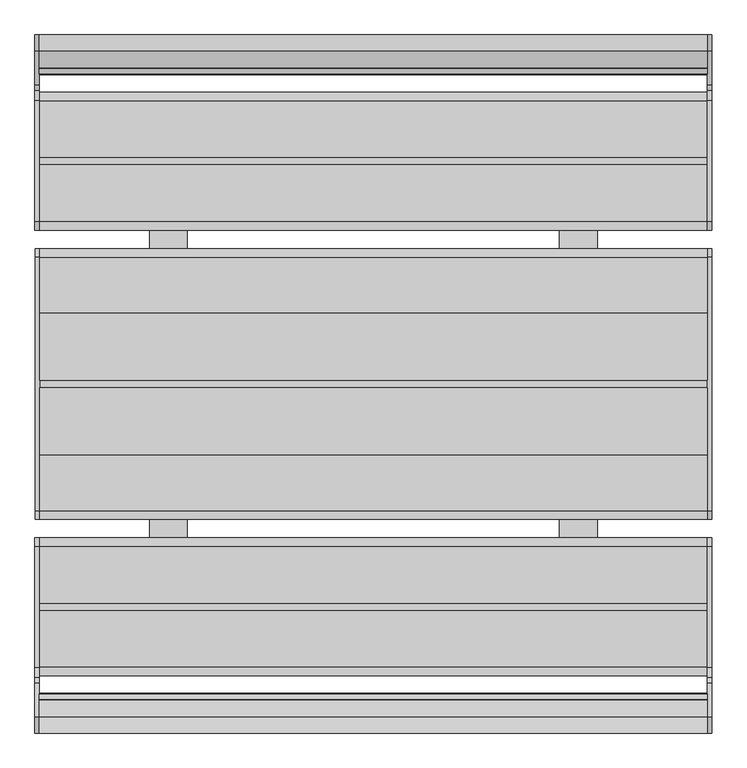
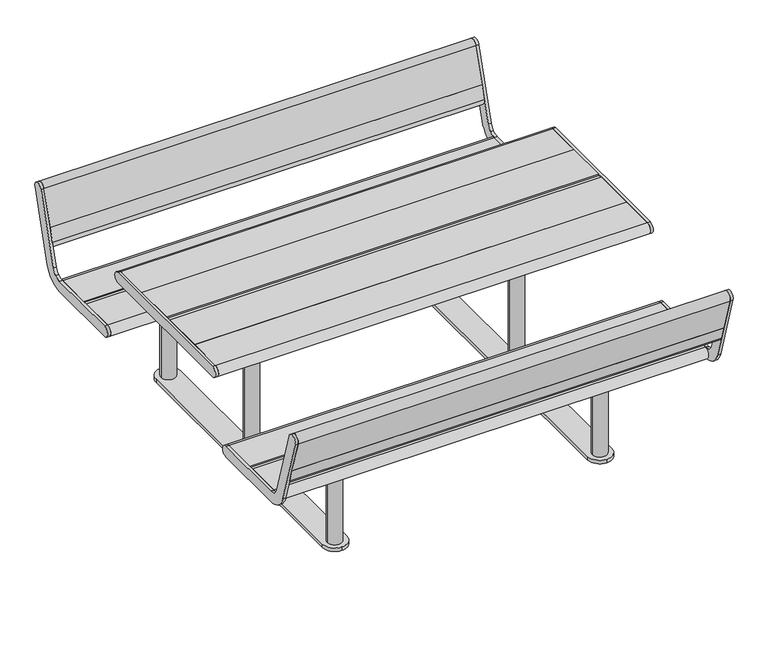
"""IFC4 building model written with IfcOpenShell, lengths in millimetres: furniture geometry."""

from ifc_helpers import new_model, si_unit, point, frame, frame_2d, origin, origin_with_axes, place, context, project, spatial, polyline, circle_curve, trimmed, segment, composite_curve, outline, extrude, source, transform, mapped, element, save


def furniture_57863eca(model_context):
    return source(origin(), model_context, "Body", "SweptSolid", [
        extrude(outline(composite_curve([segment(polyline([(839.5902234, 625.8089116), (882.6239374, 612.6521847), (866.1066825, 558.626679)]), True, "CONTINUOUS"), segment(trimmed(circle_curve(frame_2d((844.5898255, 565.2050425)), 22.5), [point((866.1066825, 558.626679))], [point((823.0729685, 571.7834059))], False, "CARTESIAN"), True, "CONTINUOUS"), segment(polyline([(823.0729685, 571.7834059), (839.5902234, 625.8089116)]), True, "CONTINUOUS")], self_intersect=False)), frame((-888.0, 0.0, 0.0), z_axis=(1.0, 0.0, 0.0), x_axis=(0.0, 1.0, 0.0)), (0.0, 0.0, 1.0), 1776.0),
        extrude(outline(composite_curve([segment(polyline([(882.6239374, 612.6521847), (839.5902234, 625.8089116), (883.5974263, 769.7499847)]), True, "CONTINUOUS"), segment(trimmed(circle_curve(frame_2d((905.1142833, 763.1716212)), 22.5), [point((883.5974263, 769.7499847))], [point((926.6311403, 756.5932578))], False, "CARTESIAN"), True, "CONTINUOUS"), segment(polyline([(926.6311403, 756.5932578), (882.6239374, 612.6521847)]), True, "CONTINUOUS")], self_intersect=False)), frame((-888.0, 0.0, 0.0), z_axis=(1.0, 0.0, 0.0), x_axis=(0.0, 1.0, 0.0)), (0.0, 0.0, 1.0), 1776.0),
        extrude(outline(composite_curve([segment(polyline([(-839.5902234, 625.8089116), (-823.0729685, 571.7834059)]), True, "CONTINUOUS"), segment(trimmed(circle_curve(frame_2d((-844.5898255, 565.2050425)), 22.5), [point((-823.0729685, 571.7834059))], [point((-866.1066825, 558.626679))], False, "CARTESIAN"), True, "CONTINUOUS"), segment(polyline([(-866.1066825, 558.626679), (-882.6239374, 612.6521847), (-839.5902234, 625.8089116)]), True, "CONTINUOUS")], self_intersect=False)), frame((-888.0, 0.0, 0.0), z_axis=(1.0, 0.0, 0.0), x_axis=(0.0, 1.0, 0.0)), (0.0, 0.0, 1.0), 1776.0),
        extrude(outline(composite_curve([segment(polyline([(-882.6239374, 612.6521847), (-926.6311403, 756.5932578)]), True, "CONTINUOUS"), segment(trimmed(circle_curve(frame_2d((-905.1142833, 763.1716212)), 22.5), [point((-926.6311403, 756.5932578))], [point((-883.5974263, 769.7499847))], False, "CARTESIAN"), True, "CONTINUOUS"), segment(polyline([(-883.5974263, 769.7499847), (-839.5902234, 625.8089116), (-882.6239374, 612.6521847)]), True, "CONTINUOUS")], self_intersect=False)), frame((-888.0, 0.0, 0.0), z_axis=(1.0, 0.0, 0.0), x_axis=(0.0, 1.0, 0.0)), (0.0, 0.0, 1.0), 1776.0),
        extrude(outline(composite_curve([segment(polyline([(795.4837914, 481.5432734), (883.593709, 769.7378243)]), True, "CONTINUOUS"), segment(trimmed(circle_curve(frame_2d((905.1105656, 763.159461)), 22.4999996), [point((883.593709, 769.7378243))], [point((926.6274222, 756.5810977))], False, "CARTESIAN"), True, "CONTINUOUS"), segment(polyline([(926.6274222, 756.5810977), (838.5175055, 468.3865468)]), True, "CONTINUOUS"), segment(trimmed(circle_curve(frame_2d((752.4500772, 494.7000004)), 90.0000004), [point((838.5175055, 468.3865468))], [point((805.5692669, 422.0477344))], False, "CARTESIAN"), True, "CONTINUOUS"), segment(trimmed(circle_curve(frame_2d((752.4500772, 494.7000004)), 90.0000004), [point((805.5692669, 422.0477344))], [point((752.4500772, 404.7))], False, "CARTESIAN"), True, "CONTINUOUS"), segment(polyline([(752.4500772, 404.7), (431.5000002, 404.7)]), True, "CONTINUOUS"), segment(trimmed(circle_curve(frame_2d((431.5000002, 427.2000002)), 22.5000002), [point((431.5000002, 404.7))], [point((431.5037545, 449.7000001))], False, "CARTESIAN"), True, "CONTINUOUS"), segment(polyline([(431.5037545, 449.7000001), (752.4500772, 449.7000001)]), True, "CONTINUOUS"), segment(trimmed(circle_curve(frame_2d((752.4500772, 494.7000004)), 45.0000003), [point((752.4500772, 449.7000001))], [point((779.0096721, 458.3738673))], True, "CARTESIAN"), True, "CONTINUOUS"), segment(trimmed(circle_curve(frame_2d((752.4500772, 494.7000004)), 45.0000003), [point((779.0096721, 458.3738673))], [point((795.4837914, 481.5432734))], True, "CARTESIAN"), True, "CONTINUOUS")], self_intersect=False)), frame((-900.0, 0.0, 0.0), z_axis=(1.0, 0.0, 0.0), x_axis=(0.0, 1.0, 0.0)), (0.0, 0.0, 1.0), 12.0),
        extrude(outline(composite_curve([segment(polyline([(795.4837914, 481.5432734), (883.593709, 769.7378243)]), True, "CONTINUOUS"), segment(trimmed(circle_curve(frame_2d((905.1105656, 763.159461)), 22.4999996), [point((883.593709, 769.7378243))], [point((926.6274222, 756.5810977))], False, "CARTESIAN"), True, "CONTINUOUS"), segment(polyline([(926.6274222, 756.5810977), (838.5175055, 468.3865468)]), True, "CONTINUOUS"), segment(trimmed(circle_curve(frame_2d((752.4500772, 494.7000004)), 90.0000004), [point((838.5175055, 468.3865468))], [point((805.5692669, 422.0477344))], False, "CARTESIAN"), True, "CONTINUOUS"), segment(trimmed(circle_curve(frame_2d((752.4500772, 494.7000004)), 90.0000004), [point((805.5692669, 422.0477344))], [point((752.4500772, 404.7))], False, "CARTESIAN"), True, "CONTINUOUS"), segment(polyline([(752.4500772, 404.7), (431.5000002, 404.7)]), True, "CONTINUOUS"), segment(trimmed(circle_curve(frame_2d((431.5000002, 427.2000002)), 22.5000002), [point((431.5000002, 404.7))], [point((431.5037545, 449.7000001))], False, "CARTESIAN"), True, "CONTINUOUS"), segment(polyline([(431.5037545, 449.7000001), (752.4500772, 449.7000001)]), True, "CONTINUOUS"), segment(trimmed(circle_curve(frame_2d((752.4500772, 494.7000004)), 45.0000003), [point((752.4500772, 449.7000001))], [point((779.0096721, 458.3738673))], True, "CARTESIAN"), True, "CONTINUOUS"), segment(trimmed(circle_curve(frame_2d((752.4500772, 494.7000004)), 45.0000003), [point((779.0096721, 458.3738673))], [point((795.4837914, 481.5432734))], True, "CARTESIAN"), True, "CONTINUOUS")], self_intersect=False)), frame((888.0, 0.0, 0.0), z_axis=(1.0, 0.0, 0.0), x_axis=(0.0, 1.0, 0.0)), (0.0, 0.0, 1.0), 12.0),
        extrude(outline(composite_curve([segment(trimmed(circle_curve(frame_2d((-752.4500772, 494.7000004)), 45.0000003), [point((-795.4837914, 481.5432734))], [point((-779.0096721, 458.3738673))], True, "CARTESIAN"), True, "CONTINUOUS"), segment(trimmed(circle_curve(frame_2d((-752.4500772, 494.7000004)), 45.0000003), [point((-779.0096721, 458.3738673))], [point((-752.4500772, 449.7000001))], True, "CARTESIAN"), True, "CONTINUOUS"), segment(polyline([(-752.4500772, 449.7000001), (-431.5037545, 449.7000001)]), True, "CONTINUOUS"), segment(trimmed(circle_curve(frame_2d((-431.5000002, 427.2000002)), 22.5000002), [point((-431.5037545, 449.7000001))], [point((-431.5000002, 404.7))], False, "CARTESIAN"), True, "CONTINUOUS"), segment(polyline([(-431.5000002, 404.7), (-752.4500772, 404.7)]), True, "CONTINUOUS"), segment(trimmed(circle_curve(frame_2d((-752.4500772, 494.7000004)), 90.0000004), [point((-752.4500772, 404.7))], [point((-805.5692669, 422.0477344))], False, "CARTESIAN"), True, "CONTINUOUS"), segment(trimmed(circle_curve(frame_2d((-752.4500772, 494.7000004)), 90.0000004), [point((-805.5692669, 422.0477344))], [point((-838.5175055, 468.3865468))], False, "CARTESIAN"), True, "CONTINUOUS"), segment(polyline([(-838.5175055, 468.3865468), (-926.6274222, 756.5810977)]), True, "CONTINUOUS"), segment(trimmed(circle_curve(frame_2d((-905.1105656, 763.159461)), 22.4999996), [point((-926.6274222, 756.5810977))], [point((-883.593709, 769.7378243))], False, "CARTESIAN"), True, "CONTINUOUS"), segment(polyline([(-883.593709, 769.7378243), (-795.4837914, 481.5432734)]), True, "CONTINUOUS")], self_intersect=False)), frame((-900.0, 0.0, 0.0), z_axis=(1.0, 0.0, 0.0), x_axis=(0.0, 1.0, 0.0)), (0.0, 0.0, 1.0), 12.0),
        extrude(outline(composite_curve([segment(trimmed(circle_curve(frame_2d((-752.4500772, 494.7000004)), 45.0000003), [point((-795.4837914, 481.5432734))], [point((-779.0096721, 458.3738673))], True, "CARTESIAN"), True, "CONTINUOUS"), segment(trimmed(circle_curve(frame_2d((-752.4500772, 494.7000004)), 45.0000003), [point((-779.0096721, 458.3738673))], [point((-752.4500772, 449.7000001))], True, "CARTESIAN"), True, "CONTINUOUS"), segment(polyline([(-752.4500772, 449.7000001), (-431.5037545, 449.7000001)]), True, "CONTINUOUS"), segment(trimmed(circle_curve(frame_2d((-431.5000002, 427.2000002)), 22.5000002), [point((-431.5037545, 449.7000001))], [point((-431.5000002, 404.7))], False, "CARTESIAN"), True, "CONTINUOUS"), segment(polyline([(-431.5000002, 404.7), (-752.4500772, 404.7)]), True, "CONTINUOUS"), segment(trimmed(circle_curve(frame_2d((-752.4500772, 494.7000004)), 90.0000004), [point((-752.4500772, 404.7))], [point((-805.5692669, 422.0477344))], False, "CARTESIAN"), True, "CONTINUOUS"), segment(trimmed(circle_curve(frame_2d((-752.4500772, 494.7000004)), 90.0000004), [point((-805.5692669, 422.0477344))], [point((-838.5175055, 468.3865468))], False, "CARTESIAN"), True, "CONTINUOUS"), segment(polyline([(-838.5175055, 468.3865468), (-926.6274222, 756.5810977)]), True, "CONTINUOUS"), segment(trimmed(circle_curve(frame_2d((-905.1105656, 763.159461)), 22.4999996), [point((-926.6274222, 756.5810977))], [point((-883.593709, 769.7378243))], False, "CARTESIAN"), True, "CONTINUOUS"), segment(polyline([(-883.593709, 769.7378243), (-795.4837914, 481.5432734)]), True, "CONTINUOUS")], self_intersect=False)), frame((888.0, 0.0, 0.0), z_axis=(1.0, 0.0, 0.0), x_axis=(0.0, 1.0, 0.0)), (0.0, 0.0, 1.0), 12.0),
        extrude(outline(composite_curve([segment(trimmed(circle_curve(frame_2d((590.0, 120.0)), 5.0), [point((590.0, 125.0))], [point((595.0, 120.0))], False, "CARTESIAN"), True, "CONTINUOUS"), segment(polyline([(595.0, 120.0), (595.0, -120.0)]), True, "CONTINUOUS"), segment(trimmed(circle_curve(frame_2d((590.0, -120.0)), 5.0), [point((595.0, -120.0))], [point((590.0, -125.0))], False, "CARTESIAN"), True, "CONTINUOUS"), segment(polyline([(590.0, -125.0), (500.0, -125.0)]), True, "CONTINUOUS"), segment(trimmed(circle_curve(frame_2d((500.0, -120.0)), 5.0), [point((500.0, -125.0))], [point((495.0, -120.0))], False, "CARTESIAN"), True, "CONTINUOUS"), segment(polyline([(495.0, -120.0), (495.0, 120.0)]), True, "CONTINUOUS"), segment(trimmed(circle_curve(frame_2d((500.0, 120.0)), 5.0), [point((495.0, 120.0))], [point((500.0, 125.0))], False, "CARTESIAN"), True, "CONTINUOUS"), segment(polyline([(500.0, 125.0), (590.0, 125.0)]), True, "CONTINUOUS")], self_intersect=False)), frame((0.0, 0.0, 679.0), z_axis=(0.0, 0.0, 1.0), x_axis=(1.0, 0.0, 0.0)), (0.0, 0.0, 1.0), 7.85),
        extrude(outline(composite_curve([segment(trimmed(circle_curve(frame_2d((590.0, 295.0)), 5.0), [point((590.0, 300.0))], [point((595.0, 295.0))], False, "CARTESIAN"), True, "CONTINUOUS"), segment(polyline([(595.0, 295.0), (595.0, -295.0)]), True, "CONTINUOUS"), segment(trimmed(circle_curve(frame_2d((590.0, -295.0)), 5.0), [point((595.0, -295.0))], [point((590.0, -300.0))], False, "CARTESIAN"), True, "CONTINUOUS"), segment(polyline([(590.0, -300.0), (500.0, -300.0)]), True, "CONTINUOUS"), segment(trimmed(circle_curve(frame_2d((500.0, -295.0)), 5.0), [point((500.0, -300.0))], [point((495.0, -295.0))], False, "CARTESIAN"), True, "CONTINUOUS"), segment(polyline([(495.0, -295.0), (495.0, 295.0)]), True, "CONTINUOUS"), segment(trimmed(circle_curve(frame_2d((500.0, 295.0)), 5.0), [point((495.0, 295.0))], [point((500.0, 300.0))], False, "CARTESIAN"), True, "CONTINUOUS"), segment(polyline([(500.0, 300.0), (590.0, 300.0)]), True, "CONTINUOUS")], self_intersect=False)), frame((0.0, 0.0, 686.85), z_axis=(0.0, 0.0, 1.0), x_axis=(1.0, 0.0, 0.0)), (0.0, 0.0, 1.0), 7.85),
        extrude(outline(composite_curve([segment(polyline([(590.0, -717.0), (500.0, -717.0)]), True, "CONTINUOUS"), segment(trimmed(circle_curve(frame_2d((500.0, -712.0)), 5.0), [point((500.0, -717.0))], [point((495.0, -712.0))], False, "CARTESIAN"), True, "CONTINUOUS"), segment(polyline([(495.0, -712.0), (495.0, -472.0)]), True, "CONTINUOUS"), segment(trimmed(circle_curve(frame_2d((500.0, -472.0)), 5.0), [point((495.0, -472.0))], [point((500.0, -467.0))], False, "CARTESIAN"), True, "CONTINUOUS"), segment(polyline([(500.0, -467.0), (590.0, -467.0)]), True, "CONTINUOUS"), segment(trimmed(circle_curve(frame_2d((590.0, -472.0)), 5.0), [point((590.0, -467.0))], [point((595.0, -472.0))], False, "CARTESIAN"), True, "CONTINUOUS"), segment(polyline([(595.0, -472.0), (595.0, -712.0)]), True, "CONTINUOUS"), segment(trimmed(circle_curve(frame_2d((590.0, -712.0)), 5.0), [point((595.0, -712.0))], [point((590.0, -717.0))], False, "CARTESIAN"), True, "CONTINUOUS")], self_intersect=False)), frame((0.0, 0.0, 389.0), z_axis=(0.0, 0.0, 1.0), x_axis=(1.0, 0.0, 0.0)), (0.0, 0.0, 1.0), 15.7),
        extrude(outline(composite_curve([segment(trimmed(circle_curve(frame_2d((590.0, 712.0)), 5.0), [point((590.0, 717.0))], [point((595.0, 712.0))], False, "CARTESIAN"), True, "CONTINUOUS"), segment(polyline([(595.0, 712.0), (595.0, 472.0)]), True, "CONTINUOUS"), segment(trimmed(circle_curve(frame_2d((590.0, 472.0)), 5.0), [point((595.0, 472.0))], [point((590.0, 467.0))], False, "CARTESIAN"), True, "CONTINUOUS"), segment(polyline([(590.0, 467.0), (500.0, 467.0)]), True, "CONTINUOUS"), segment(trimmed(circle_curve(frame_2d((500.0, 472.0)), 5.0), [point((500.0, 467.0))], [point((495.0, 472.0))], False, "CARTESIAN"), True, "CONTINUOUS"), segment(polyline([(495.0, 472.0), (495.0, 712.0)]), True, "CONTINUOUS"), segment(trimmed(circle_curve(frame_2d((500.0, 712.0)), 5.0), [point((495.0, 712.0))], [point((500.0, 717.0))], False, "CARTESIAN"), True, "CONTINUOUS"), segment(polyline([(500.0, 717.0), (590.0, 717.0)]), True, "CONTINUOUS")], self_intersect=False)), frame((0.0, 0.0, 389.0), z_axis=(0.0, 0.0, 1.0), x_axis=(1.0, 0.0, 0.0)), (0.0, 0.0, 1.0), 15.7),
        extrude(outline(composite_curve([segment(trimmed(circle_curve(frame_2d((545.0, 0.0)), 30.0), [point((575.0, 0.0))], [point((515.0, 0.0))], False, "CARTESIAN"), True, "CONTINUOUS"), segment(trimmed(circle_curve(frame_2d((545.0, 0.0)), 30.0), [point((515.0, 0.0))], [point((575.0, 0.0))], False, "CARTESIAN"), True, "CONTINUOUS")], self_intersect=False)), frame((0.0, 0.0, 15.0), z_axis=(0.0, 0.0, 1.0), x_axis=(1.0, 0.0, 0.0)), (0.0, 0.0, 1.0), 664.0),
        extrude(outline(composite_curve([segment(trimmed(circle_curve(frame_2d((545.0, -592.0)), 30.0), [point((575.0, -592.0))], [point((515.0, -592.0))], False, "CARTESIAN"), True, "CONTINUOUS"), segment(trimmed(circle_curve(frame_2d((545.0, -592.0)), 30.0), [point((515.0, -592.0))], [point((575.0, -592.0))], False, "CARTESIAN"), True, "CONTINUOUS")], self_intersect=False)), frame((0.0, 0.0, 15.0), z_axis=(0.0, 0.0, 1.0), x_axis=(1.0, 0.0, 0.0)), (0.0, 0.0, 1.0), 374.0),
        extrude(outline(composite_curve([segment(trimmed(circle_curve(frame_2d((545.0, 592.0)), 30.0), [point((575.0, 592.0))], [point((515.0, 592.0))], False, "CARTESIAN"), True, "CONTINUOUS"), segment(trimmed(circle_curve(frame_2d((545.0, 592.0)), 30.0), [point((515.0, 592.0))], [point((575.0, 592.0))], False, "CARTESIAN"), True, "CONTINUOUS")], self_intersect=False)), frame((0.0, 0.0, 15.0), z_axis=(0.0, 0.0, 1.0), x_axis=(1.0, 0.0, 0.0)), (0.0, 0.0, 1.0), 374.0),
        extrude(outline(composite_curve([segment(polyline([(-590.0, 125.0), (-500.0, 125.0)]), True, "CONTINUOUS"), segment(trimmed(circle_curve(frame_2d((-500.0, 120.0)), 5.0), [point((-500.0, 125.0))], [point((-495.0, 120.0))], False, "CARTESIAN"), True, "CONTINUOUS"), segment(polyline([(-495.0, 120.0), (-495.0, -120.0)]), True, "CONTINUOUS"), segment(trimmed(circle_curve(frame_2d((-500.0, -120.0)), 5.0), [point((-495.0, -120.0))], [point((-500.0, -125.0))], False, "CARTESIAN"), True, "CONTINUOUS"), segment(polyline([(-500.0, -125.0), (-590.0, -125.0)]), True, "CONTINUOUS"), segment(trimmed(circle_curve(frame_2d((-590.0, -120.0)), 5.0), [point((-590.0, -125.0))], [point((-595.0, -120.0))], False, "CARTESIAN"), True, "CONTINUOUS"), segment(polyline([(-595.0, -120.0), (-595.0, 120.0)]), True, "CONTINUOUS"), segment(trimmed(circle_curve(frame_2d((-590.0, 120.0)), 5.0), [point((-595.0, 120.0))], [point((-590.0, 125.0))], False, "CARTESIAN"), True, "CONTINUOUS")], self_intersect=False)), frame((0.0, 0.0, 679.0), z_axis=(0.0, 0.0, 1.0), x_axis=(1.0, 0.0, 0.0)), (0.0, 0.0, 1.0), 7.85),
        extrude(outline(composite_curve([segment(polyline([(-590.0, 300.0), (-500.0, 300.0)]), True, "CONTINUOUS"), segment(trimmed(circle_curve(frame_2d((-500.0, 295.0)), 5.0), [point((-500.0, 300.0))], [point((-495.0, 295.0))], False, "CARTESIAN"), True, "CONTINUOUS"), segment(polyline([(-495.0, 295.0), (-495.0, -295.0)]), True, "CONTINUOUS"), segment(trimmed(circle_curve(frame_2d((-500.0, -295.0)), 5.0), [point((-495.0, -295.0))], [point((-500.0, -300.0))], False, "CARTESIAN"), True, "CONTINUOUS"), segment(polyline([(-500.0, -300.0), (-590.0, -300.0)]), True, "CONTINUOUS"), segment(trimmed(circle_curve(frame_2d((-590.0, -295.0)), 5.0), [point((-590.0, -300.0))], [point((-595.0, -295.0))], False, "CARTESIAN"), True, "CONTINUOUS"), segment(polyline([(-595.0, -295.0), (-595.0, 295.0)]), True, "CONTINUOUS"), segment(trimmed(circle_curve(frame_2d((-590.0, 295.0)), 5.0), [point((-595.0, 295.0))], [point((-590.0, 300.0))], False, "CARTESIAN"), True, "CONTINUOUS")], self_intersect=False)), frame((0.0, 0.0, 686.85), z_axis=(0.0, 0.0, 1.0), x_axis=(1.0, 0.0, 0.0)), (0.0, 0.0, 1.0), 7.85),
        extrude(outline(composite_curve([segment(trimmed(circle_curve(frame_2d((-590.0, -712.0)), 5.0), [point((-590.0, -717.0))], [point((-595.0, -712.0))], False, "CARTESIAN"), True, "CONTINUOUS"), segment(polyline([(-595.0, -712.0), (-595.0, -472.0)]), True, "CONTINUOUS"), segment(trimmed(circle_curve(frame_2d((-590.0, -472.0)), 5.0), [point((-595.0, -472.0))], [point((-590.0, -467.0))], False, "CARTESIAN"), True, "CONTINUOUS"), segment(polyline([(-590.0, -467.0), (-500.0, -467.0)]), True, "CONTINUOUS"), segment(trimmed(circle_curve(frame_2d((-500.0, -472.0)), 5.0), [point((-500.0, -467.0))], [point((-495.0, -472.0))], False, "CARTESIAN"), True, "CONTINUOUS"), segment(polyline([(-495.0, -472.0), (-495.0, -712.0)]), True, "CONTINUOUS"), segment(trimmed(circle_curve(frame_2d((-500.0, -712.0)), 5.0), [point((-495.0, -712.0))], [point((-500.0, -717.0))], False, "CARTESIAN"), True, "CONTINUOUS"), segment(polyline([(-500.0, -717.0), (-590.0, -717.0)]), True, "CONTINUOUS")], self_intersect=False)), frame((0.0, 0.0, 389.0), z_axis=(0.0, 0.0, 1.0), x_axis=(1.0, 0.0, 0.0)), (0.0, 0.0, 1.0), 15.7),
        extrude(outline(composite_curve([segment(polyline([(-590.0, 717.0), (-500.0, 717.0)]), True, "CONTINUOUS"), segment(trimmed(circle_curve(frame_2d((-500.0, 712.0)), 5.0), [point((-500.0, 717.0))], [point((-495.0, 712.0))], False, "CARTESIAN"), True, "CONTINUOUS"), segment(polyline([(-495.0, 712.0), (-495.0, 472.0)]), True, "CONTINUOUS"), segment(trimmed(circle_curve(frame_2d((-500.0, 472.0)), 5.0), [point((-495.0, 472.0))], [point((-500.0, 467.0))], False, "CARTESIAN"), True, "CONTINUOUS"), segment(polyline([(-500.0, 467.0), (-590.0, 467.0)]), True, "CONTINUOUS"), segment(trimmed(circle_curve(frame_2d((-590.0, 472.0)), 5.0), [point((-590.0, 467.0))], [point((-595.0, 472.0))], False, "CARTESIAN"), True, "CONTINUOUS"), segment(polyline([(-595.0, 472.0), (-595.0, 712.0)]), True, "CONTINUOUS"), segment(trimmed(circle_curve(frame_2d((-590.0, 712.0)), 5.0), [point((-595.0, 712.0))], [point((-590.0, 717.0))], False, "CARTESIAN"), True, "CONTINUOUS")], self_intersect=False)), frame((0.0, 0.0, 389.0), z_axis=(0.0, 0.0, 1.0), x_axis=(1.0, 0.0, 0.0)), (0.0, 0.0, 1.0), 15.7),
        extrude(outline(composite_curve([segment(trimmed(circle_curve(frame_2d((-545.0, 0.0)), 30.0), [point((-575.0, 0.0))], [point((-515.0, 0.0))], False, "CARTESIAN"), True, "CONTINUOUS"), segment(trimmed(circle_curve(frame_2d((-545.0, 0.0)), 30.0), [point((-515.0, 0.0))], [point((-575.0, 0.0))], False, "CARTESIAN"), True, "CONTINUOUS")], self_intersect=False)), frame((0.0, 0.0, 15.0), z_axis=(0.0, 0.0, 1.0), x_axis=(1.0, 0.0, 0.0)), (0.0, 0.0, 1.0), 664.0),
        extrude(outline(composite_curve([segment(trimmed(circle_curve(frame_2d((-545.0, -592.0)), 30.0), [point((-575.0, -592.0))], [point((-515.0, -592.0))], False, "CARTESIAN"), True, "CONTINUOUS"), segment(trimmed(circle_curve(frame_2d((-545.0, -592.0)), 30.0), [point((-515.0, -592.0))], [point((-575.0, -592.0))], False, "CARTESIAN"), True, "CONTINUOUS")], self_intersect=False)), frame((0.0, 0.0, 15.0), z_axis=(0.0, 0.0, 1.0), x_axis=(1.0, 0.0, 0.0)), (0.0, 0.0, 1.0), 374.0),
        extrude(outline(composite_curve([segment(trimmed(circle_curve(frame_2d((-545.0, 592.0)), 30.0), [point((-575.0, 592.0))], [point((-515.0, 592.0))], False, "CARTESIAN"), True, "CONTINUOUS"), segment(trimmed(circle_curve(frame_2d((-545.0, 592.0)), 30.0), [point((-515.0, 592.0))], [point((-575.0, 592.0))], False, "CARTESIAN"), True, "CONTINUOUS")], self_intersect=False)), frame((0.0, 0.0, 15.0), z_axis=(0.0, 0.0, 1.0), x_axis=(1.0, 0.0, 0.0)), (0.0, 0.0, 1.0), 374.0),
        extrude(outline(composite_curve([segment(polyline([(-595.0, -592.0), (-595.0, 592.0)]), True, "CONTINUOUS"), segment(trimmed(circle_curve(frame_2d((-545.0, 592.0)), 50.0), [point((-595.0, 592.0))], [point((-495.0, 592.0))], False, "CARTESIAN"), True, "CONTINUOUS"), segment(polyline([(-495.0, 592.0), (-495.0, -592.0)]), True, "CONTINUOUS"), segment(trimmed(circle_curve(frame_2d((-545.0, -592.0)), 50.0), [point((-495.0, -592.0))], [point((-545.0, -642.0))], False, "CARTESIAN"), True, "CONTINUOUS"), segment(trimmed(circle_curve(frame_2d((-545.0, -592.0)), 50.0), [point((-545.0, -642.0))], [point((-595.0, -592.0))], False, "CARTESIAN"), True, "CONTINUOUS")], self_intersect=False)), origin_with_axes(), (0.0, 0.0, 1.0), 15.0),
        extrude(outline(composite_curve([segment(trimmed(circle_curve(frame_2d((545.0, -592.0)), 50.0), [point((595.0, -592.0))], [point((545.0, -642.0))], False, "CARTESIAN"), True, "CONTINUOUS"), segment(trimmed(circle_curve(frame_2d((545.0, -592.0)), 50.0), [point((545.0, -642.0))], [point((495.0, -592.0))], False, "CARTESIAN"), True, "CONTINUOUS"), segment(polyline([(495.0, -592.0), (495.0, 592.0)]), True, "CONTINUOUS"), segment(trimmed(circle_curve(frame_2d((545.0, 592.0)), 50.0), [point((495.0, 592.0))], [point((595.0, 592.0))], False, "CARTESIAN"), True, "CONTINUOUS"), segment(polyline([(595.0, 592.0), (595.0, -592.0)]), True, "CONTINUOUS")], self_intersect=False)), origin_with_axes(), (0.0, 0.0, 1.0), 15.0),
        extrude(outline(composite_curve([segment(polyline([(602.0, 449.7), (752.4998424, 449.7)]), True, "CONTINUOUS"), segment(trimmed(circle_curve(frame_2d((752.4998424, 427.2)), 22.5), [point((752.4998424, 449.7))], [point((752.4998424, 404.7))], False, "CARTESIAN"), True, "CONTINUOUS"), segment(polyline([(752.4998424, 404.7), (602.0, 404.7), (602.0, 449.7)]), True, "CONTINUOUS")], self_intersect=False)), frame((-887.5, 0.0, 0.0), z_axis=(1.0, 0.0, 0.0), x_axis=(0.0, 1.0, 0.0)), (0.0, 0.0, 1.0), 1775.5),
        extrude(outline(composite_curve([segment(polyline([(-582.0, 449.7), (-431.5001576, 449.7)]), True, "CONTINUOUS"), segment(trimmed(circle_curve(frame_2d((-431.5001576, 427.2)), 22.5), [point((-431.5001576, 449.7))], [point((-431.5001576, 404.7))], False, "CARTESIAN"), True, "CONTINUOUS"), segment(polyline([(-431.5001576, 404.7), (-582.0, 404.7), (-582.0, 449.7)]), True, "CONTINUOUS")], self_intersect=False)), frame((-887.5, 0.0, 0.0), z_axis=(1.0, 0.0, 0.0), x_axis=(0.0, 1.0, 0.0)), (0.0, 0.0, 1.0), 1775.5),
        extrude(outline(composite_curve([segment(polyline([(-602.0, 449.7), (-602.0, 404.7), (-752.4998424, 404.7)]), True, "CONTINUOUS"), segment(trimmed(circle_curve(frame_2d((-752.4998424, 427.2)), 22.5), [point((-752.4998424, 404.7))], [point((-752.4998424, 449.7))], False, "CARTESIAN"), True, "CONTINUOUS"), segment(polyline([(-752.4998424, 449.7), (-602.0, 449.7)]), True, "CONTINUOUS")], self_intersect=False)), frame((-887.5, 0.0, 0.0), z_axis=(1.0, 0.0, 0.0), x_axis=(0.0, 1.0, 0.0)), (0.0, 0.0, 1.0), 1775.5),
        extrude(outline(polyline([(888.0, -582.0), (888.0, -602.0), (-887.5, -602.0), (-887.5, -582.0), (888.0, -582.0)])), frame((0.0, 0.0, 404.7), z_axis=(0.0, 0.0, 1.0), x_axis=(1.0, 0.0, 0.0)), (0.0, 0.0, 1.0), 40.0),
        extrude(outline(composite_curve([segment(polyline([(582.0, 449.7), (582.0, 404.7), (431.5001576, 404.7)]), True, "CONTINUOUS"), segment(trimmed(circle_curve(frame_2d((431.5001576, 427.2)), 22.5), [point((431.5001576, 404.7))], [point((431.5001576, 449.7))], False, "CARTESIAN"), True, "CONTINUOUS"), segment(polyline([(431.5001576, 449.7), (582.0, 449.7)]), True, "CONTINUOUS")], self_intersect=False)), frame((-887.5, 0.0, 0.0), z_axis=(1.0, 0.0, 0.0), x_axis=(0.0, 1.0, 0.0)), (0.0, 0.0, 1.0), 1775.5),
        extrude(outline(polyline([(888.0, 602.0), (888.0, 582.0), (-887.5, 582.0), (-887.5, 602.0), (888.0, 602.0)])), frame((0.0, 0.0, 404.7), z_axis=(0.0, 0.0, 1.0), x_axis=(1.0, 0.0, 0.0)), (0.0, 0.0, 1.0), 40.0),
        extrude(outline(polyline([(888.0, -10.0), (888.0, -187.75), (-887.5, -187.75), (-887.5, -10.0), (888.0, -10.0)])), frame((0.0, 0.0, 694.7), z_axis=(0.0, 0.0, 1.0), x_axis=(1.0, 0.0, 0.0)), (0.0, 0.0, 1.0), 45.0),
        extrude(outline(polyline([(888.0, 187.75), (888.0, 10.0), (-887.5, 10.0), (-887.5, 187.75), (888.0, 187.75)])), frame((0.0, 0.0, 694.7), z_axis=(0.0, 0.0, 1.0), x_axis=(1.0, 0.0, 0.0)), (0.0, 0.0, 1.0), 45.0),
        extrude(outline(composite_curve([segment(polyline([(187.75, 739.7), (336.4998635, 739.7)]), True, "CONTINUOUS"), segment(trimmed(circle_curve(frame_2d((336.4998635, 717.2)), 22.5), [point((336.4998635, 739.7))], [point((336.4998635, 694.7))], False, "CARTESIAN"), True, "CONTINUOUS"), segment(polyline([(336.4998635, 694.7), (187.75, 694.7), (187.75, 739.7)]), True, "CONTINUOUS")], self_intersect=False)), frame((-887.5, 0.0, 0.0), z_axis=(1.0, 0.0, 0.0), x_axis=(0.0, 1.0, 0.0)), (0.0, 0.0, 1.0), 1775.5),
        extrude(outline(composite_curve([segment(polyline([(-187.75, 739.7), (-187.75, 694.7), (-336.4998635, 694.7)]), True, "CONTINUOUS"), segment(trimmed(circle_curve(frame_2d((-336.4998635, 717.2)), 22.5), [point((-336.4998635, 694.7))], [point((-336.4998635, 739.7))], False, "CARTESIAN"), True, "CONTINUOUS"), segment(polyline([(-336.4998635, 739.7), (-187.75, 739.7)]), True, "CONTINUOUS")], self_intersect=False)), frame((-887.5, 0.0, 0.0), z_axis=(1.0, 0.0, 0.0), x_axis=(0.0, 1.0, 0.0)), (0.0, 0.0, 1.0), 1775.5),
        extrude(outline(polyline([(888.0, 10.0), (888.0, -10.0), (-887.5, -10.0), (-887.5, 10.0), (888.0, 10.0)])), frame((0.0, 0.0, 694.7), z_axis=(0.0, 0.0, 1.0), x_axis=(1.0, 0.0, 0.0)), (0.0, 0.0, 1.0), 40.0),
        extrude(outline(composite_curve([segment(trimmed(circle_curve(frame_2d((336.5, 717.2)), 22.5), [point((336.5, 739.7))], [point((336.5, 694.7))], False, "CARTESIAN"), True, "CONTINUOUS"), segment(polyline([(336.5, 694.7), (-336.5, 694.7)]), True, "CONTINUOUS"), segment(trimmed(circle_curve(frame_2d((-336.5, 717.2)), 22.5), [point((-336.5, 694.7))], [point((-336.5, 739.7))], False, "CARTESIAN"), True, "CONTINUOUS"), segment(polyline([(-336.5, 739.7), (336.5, 739.7)]), True, "CONTINUOUS")], self_intersect=False)), frame((888.0, 0.0, 0.0), z_axis=(1.0, 0.0, 0.0), x_axis=(0.0, 1.0, 0.0)), (0.0, 0.0, 1.0), 12.0),
        extrude(outline(composite_curve([segment(trimmed(circle_curve(frame_2d((336.5, 717.2)), 22.5), [point((336.5, 739.7))], [point((336.5, 694.7))], False, "CARTESIAN"), True, "CONTINUOUS"), segment(polyline([(336.5, 694.7), (-336.5, 694.7)]), True, "CONTINUOUS"), segment(trimmed(circle_curve(frame_2d((-336.5, 717.2)), 22.5), [point((-336.5, 694.7))], [point((-336.5, 739.7))], False, "CARTESIAN"), True, "CONTINUOUS"), segment(polyline([(-336.5, 739.7), (336.5, 739.7)]), True, "CONTINUOUS")], self_intersect=False)), frame((-899.5, 0.0, 0.0), z_axis=(1.0, 0.0, 0.0), x_axis=(0.0, 1.0, 0.0)), (0.0, 0.0, 1.0), 12.0),
    ])


if __name__ == "__main__":
    model = new_model("IFC4")
    model_context = context("Model", 3, world=origin())
    ifc_project = project(units=[si_unit("LENGTHUNIT", "METRE", prefix="MILLI")], contexts=[model_context])
    site = spatial("IfcSite", under=ifc_project)
    building = spatial("IfcBuilding", under=site)
    placement = place(None, origin())
    furniture_shape = furniture_57863eca(model_context)
    element("IfcFurniture", 1, at=placement, inside=building, context=model_context, shape_type="MappedRepresentation", body=[
        mapped(furniture_shape, transform((0.0, 0.0, 0.0), x_axis=(1.0, 0.0, 0.0), y_axis=(0.0, 1.0, 0.0), z_axis=(0.0, 0.0, 1.0))),
    ])
    save(model, "model.ifc")
